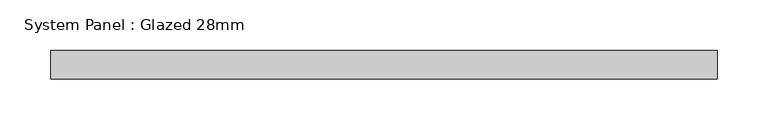
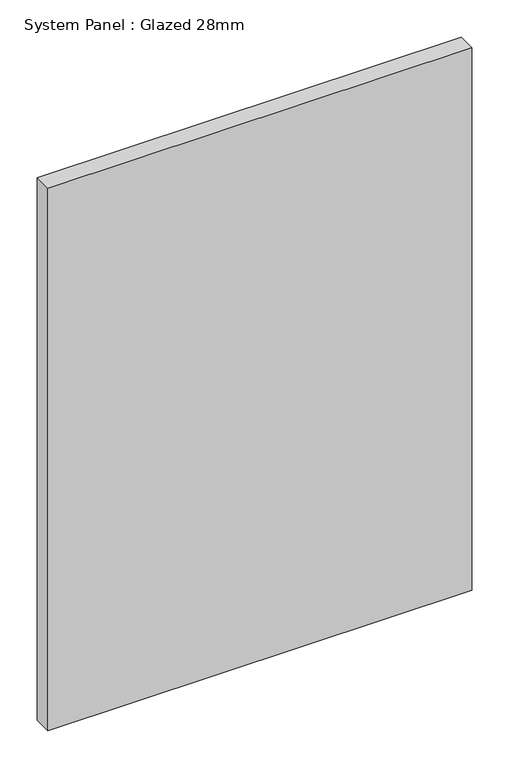
"""IFC4 building model written with IfcOpenShell, lengths in millimetres: plate geometry, System Panel : Glazed 28mm."""

import ifcopenshell
import ifcopenshell.guid

model = None  # the IFC model being written
_history = None  # IfcOwnerHistory: only IFC2X3 demands one
_inside = {}  # id of a spatial element -> (the spatial element, [elements in it])
_under = {}  # id of a project, library or spatial element -> (it, [spatial elements below it])
_declared = {}  # id of a project -> (the project, [libraries it declares])
_typed = {}  # id of a type object -> (the type object, [elements of that type])
_made_of = {}  # id of a material, layer set ... -> (it, [elements and type objects made of it])


def new_model(schema):
    """Start an empty IFC model of exactly this schema.

    Asked for "IFC4X3", IfcOpenShell would pick the latest addendum, in which some entities
    have other attributes; the version numbers below select the first issue.
    IFC2X3 requires an IfcOwnerHistory on every rooted entity: one is made here for all.
    """
    global model, _history
    if schema == "IFC4X3":
        model = ifcopenshell.file(schema_version=(4, 3, 0, 0))
    else:
        model = ifcopenshell.file(schema=schema)
    _inside.clear()
    _under.clear()
    _declared.clear()
    _typed.clear()
    _made_of.clear()
    _history = None
    if model.schema == "IFC2X3":
        org = make("IfcOrganization", Name="unknown")
        user = make(
            "IfcPersonAndOrganization",
            ThePerson=make("IfcPerson", FamilyName="unknown"),
            TheOrganization=org,
        )
        app = make(
            "IfcApplication",
            ApplicationDeveloper=org,
            Version="unknown",
            ApplicationFullName="unknown",
            ApplicationIdentifier="unknown",
        )
        _history = make(
            "IfcOwnerHistory",
            OwningUser=user,
            OwningApplication=app,
            ChangeAction="ADDED",
            CreationDate=0,
        )
    return model


def make(cls, **values):
    """One entity of the class cls with the attributes given. An attribute that is None is left unset."""
    return model.create_entity(
        cls, **{name: value for name, value in values.items() if value is not None}
    )


def rooted(cls, **values):
    """An entity with a GlobalId (a new one), such as an element, a storey or a relation."""
    return make(cls, GlobalId=ifcopenshell.guid.new(), OwnerHistory=_history, **values)


def si_unit(unit_type, name, prefix=None):
    """IfcSIUnit, for example si_unit("LENGTHUNIT", "METRE", prefix="MILLI")."""
    return make("IfcSIUnit", UnitType=unit_type, Prefix=prefix, Name=name)


def assignment(units):
    """IfcUnitAssignment: the units of a project."""
    return None if units is None else make("IfcUnitAssignment", Units=units)


def point(xyz):
    """IfcCartesianPoint."""
    return None if xyz is None else make("IfcCartesianPoint", Coordinates=xyz)


def direction(xyz):
    """IfcDirection."""
    return None if xyz is None else make("IfcDirection", DirectionRatios=xyz)


def frame(location, z_axis=None, x_axis=None):
    """IfcAxis2Placement3D, a coordinate frame: its origin and axes. An axis left out is left unset."""
    return make(
        "IfcAxis2Placement3D",
        Location=point(location),
        Axis=direction(z_axis),
        RefDirection=direction(x_axis),
    )


def origin():
    """The frame at (0, 0, 0) with its axes left unset."""
    return frame((0.0, 0.0, 0.0))


def origin_with_axes():
    """The frame at (0, 0, 0) with the z axis (0, 0, 1) and the x axis (1, 0, 0) written out."""
    return frame((0.0, 0.0, 0.0), z_axis=(0.0, 0.0, 1.0), x_axis=(1.0, 0.0, 0.0))


def place(relative_to, where):
    """IfcLocalPlacement: puts the frame where relative to a parent placement (None: the world)."""
    return make(
        "IfcLocalPlacement", PlacementRelTo=relative_to, RelativePlacement=where
    )


def context(
    kind, dimensions, precision=None, world=None, true_north=None, identifier=None
):
    """IfcGeometricRepresentationContext, for example the 3D "Model" context."""
    return make(
        "IfcGeometricRepresentationContext",
        ContextIdentifier=identifier,
        ContextType=kind,
        CoordinateSpaceDimension=dimensions,
        Precision=precision,
        WorldCoordinateSystem=world,
        TrueNorth=true_north,
    )


def project(units=None, contexts=None):
    """IfcProject with its units and contexts."""
    return rooted(
        "IfcProject",
        Name="project",
        RepresentationContexts=contexts,
        UnitsInContext=assignment(units),
    )


def spatial(cls, under=None, at=None, **own):
    """A site, building, storey or space (cls), placed at a placement, below another one or the project."""
    s = rooted(cls, ObjectPlacement=at, **own)
    if under is not None:
        _under.setdefault(under.id(), (under, []))[1].append(s)
    return s


def polyline(points):
    """IfcPolyline through the points."""
    return make("IfcPolyline", Points=[point(p) for p in points])


def outline(outer, holes=None, kind="AREA"):
    """IfcArbitraryClosedProfileDef: a profile drawn as a closed curve; with holes, ...WithVoids."""
    if holes is None:
        return make("IfcArbitraryClosedProfileDef", ProfileType=kind, OuterCurve=outer)
    return make(
        "IfcArbitraryProfileDefWithVoids",
        ProfileType=kind,
        OuterCurve=outer,
        InnerCurves=holes,
    )


def extrude(swept, where, along, depth):
    """IfcExtrudedAreaSolid: the profile swept, set in the frame where, extruded along a direction by depth."""
    return make(
        "IfcExtrudedAreaSolid",
        SweptArea=swept,
        Position=where,
        ExtrudedDirection=direction(along),
        Depth=depth,
    )


def shape(context_of_items, identifier, shape_type, items):
    """IfcShapeRepresentation: the items that make up one representation, for example the "Body"."""
    return make(
        "IfcShapeRepresentation",
        ContextOfItems=context_of_items,
        RepresentationIdentifier=identifier,
        RepresentationType=shape_type,
        Items=items,
    )


def source(mapping_origin, context_of_items, identifier, shape_type, items):
    """IfcRepresentationMap: a shape defined once, which mapped items show again and again."""
    return make(
        "IfcRepresentationMap",
        MappingOrigin=mapping_origin,
        MappedRepresentation=shape(context_of_items, identifier, shape_type, items),
    )


def transform(
    local_origin,
    x_axis=None,
    y_axis=None,
    z_axis=None,
    scale=None,
    scale2=None,
    scale3=None,
    uniform=True,
):
    """IfcCartesianTransformationOperator3D, or its non-uniform kind. x_axis, y_axis, z_axis: its Axis1, 2, 3."""
    if uniform:
        return make(
            "IfcCartesianTransformationOperator3D",
            Axis1=direction(x_axis),
            Axis2=direction(y_axis),
            LocalOrigin=point(local_origin),
            Scale=scale,
            Axis3=direction(z_axis),
        )
    return make(
        "IfcCartesianTransformationOperator3DnonUniform",
        Axis1=direction(x_axis),
        Axis2=direction(y_axis),
        LocalOrigin=point(local_origin),
        Scale=scale,
        Axis3=direction(z_axis),
        Scale2=scale2,
        Scale3=scale3,
    )


def mapped(mapping_source, mapping_target):
    """IfcMappedItem: shows the shape of a source again, moved by a transform."""
    return make(
        "IfcMappedItem", MappingSource=mapping_source, MappingTarget=mapping_target
    )


def made_of(thing, what):
    """Note that an element or type object is made of a material, layer set ...; save() writes the relation."""
    if what is not None:
        _made_of.setdefault(what.id(), (what, []))[1].append(thing)
    return thing


def element(
    cls,
    number,
    at=None,
    inside=None,
    cuts=None,
    type_object=None,
    material=None,
    context=None,
    identifier="Body",
    shape_type=None,
    held_by="IfcProductDefinitionShape",
    body=None,
    shapes=None,
    **own,
):
    """One element of the class cls, such as IfcWall. Its Tag is "e" and its number.

    at: its placement. inside: the storey or other place that contains it. cuts: it is an
    opening in that element (IfcRelVoidsElement). A single representation is given by context,
    identifier, shape_type and body (its items); several are given by shapes. held_by: the class
    of the entity that holds the representations. save() writes the other relations.
    """
    e = rooted(cls, Tag="e%d" % number, ObjectPlacement=at, **own)
    if body is not None:
        shapes = [shape(context, identifier, shape_type, body)]
    if shapes is not None:
        e.Representation = make(held_by, Representations=shapes)
    if inside is not None:
        _inside.setdefault(inside.id(), (inside, []))[1].append(e)
    if cuts is not None:
        rooted(
            "IfcRelVoidsElement", RelatingBuildingElement=cuts, RelatedOpeningElement=e
        )
    if type_object is not None:
        _typed.setdefault(type_object.id(), (type_object, []))[1].append(e)
    return made_of(e, material)


def aggregate(whole, parts):
    """IfcRelAggregates: a whole, such as a stair, and the parts it consists of."""
    return rooted("IfcRelAggregates", RelatingObject=whole, RelatedObjects=parts)


def save(model, path):
    """Write the relations noted so far, then the file.

    IfcRelAggregates (storeys below a building ...), IfcRelContainedInSpatialStructure (elements
    in a storey), IfcRelDefinesByType, IfcRelAssociatesMaterial and IfcRelDeclares: one each for
    every whole, place, type object, material and project.
    """
    for whole, parts in _under.values():
        aggregate(whole, parts)
    for where, things in _inside.values():
        rooted(
            "IfcRelContainedInSpatialStructure",
            RelatedElements=things,
            RelatingStructure=where,
        )
    for kind, things in _typed.values():
        rooted("IfcRelDefinesByType", RelatedObjects=things, RelatingType=kind)
    for what, things in _made_of.values():
        rooted("IfcRelAssociatesMaterial", RelatedObjects=things, RelatingMaterial=what)
    for by, libraries in _declared.values():
        rooted("IfcRelDeclares", RelatingContext=by, RelatedDefinitions=libraries)
    model.write(path)


def system_panel_glazed_28mm_98a37e4b(model_context):
    return source(origin(), model_context, "Body", "SweptSolid", [
        extrude(outline(polyline([(327.8105764, -14.0), (-327.8105764, -14.0), (-327.8105764, 14.0), (327.8105764, 14.0), (327.8105764, -14.0)])), origin_with_axes(), (0.0, 0.0, 1.0), 887.6245742),
    ])


if __name__ == "__main__":
    model = new_model("IFC4")
    model_context = context("Model", 3, world=origin())
    ifc_project = project(units=[si_unit("LENGTHUNIT", "METRE", prefix="MILLI")], contexts=[model_context])
    site = spatial("IfcSite", under=ifc_project)
    building = spatial("IfcBuilding", under=site)
    placement = place(None, origin())
    system_panel_glazed_28mm_shape = system_panel_glazed_28mm_98a37e4b(model_context)
    element("IfcPlate", 1, ObjectType="System Panel : Glazed 28mm", at=placement, inside=building, context=model_context, shape_type="MappedRepresentation", body=[
        mapped(system_panel_glazed_28mm_shape, transform((0.0, 0.0, 0.0), x_axis=(1.0, 0.0, 0.0), y_axis=(0.0, 1.0, 0.0), z_axis=(0.0, 0.0, 1.0))),
    ])
    save(model, "model.ifc")
